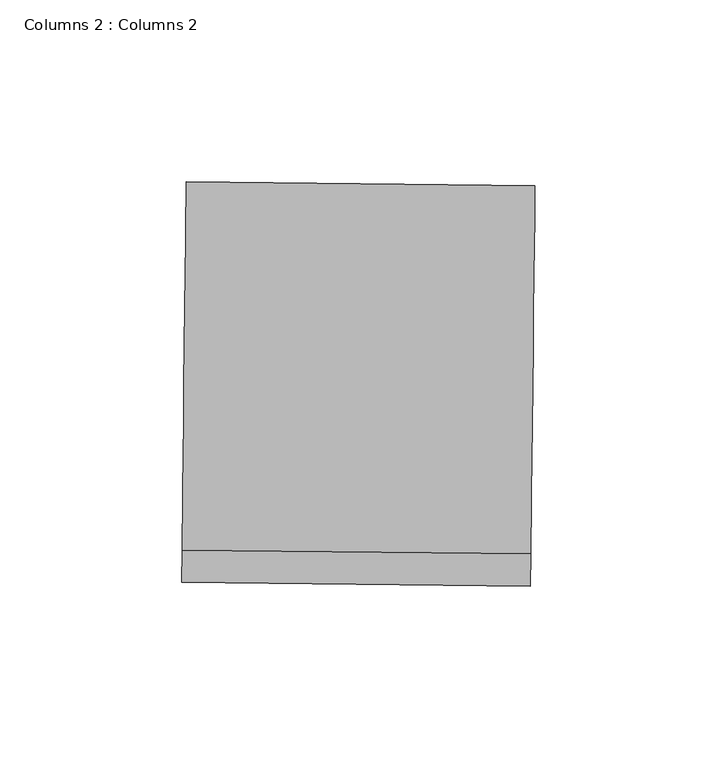
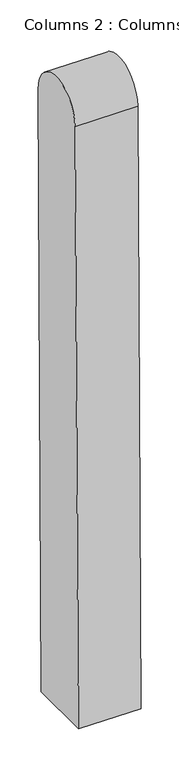
"""IFC4 building model written with IfcOpenShell, lengths in millimetres: column geometry, Columns 2 : Columns 2."""

from ifc_helpers import new_model, si_unit, point, frame, frame_2d, origin, place, context, project, spatial, polyline, circle_curve, trimmed, segment, composite_curve, outline, extrude, source, transform, mapped, element, save


def columns_2_columns_2_e1c5b08b(model_context):
    return source(origin(), model_context, "Body", "SweptSolid", [
        extrude(outline(composite_curve([segment(trimmed(circle_curve(frame_2d((11.3111245, -50.6547737)), 50.6547737), [point((11.3111245, 0.0))], [point((11.351453, -101.3095313))], False, "CARTESIAN"), True, "CONTINUOUS"), segment(polyline([(11.351453, -101.3095313), (-965.4329999, -102.0871925), (-966.577053, 0.0), (11.3111245, 0.0)]), True, "CONTINUOUS")], self_intersect=False)), frame((-40792.2324183, 43227.5480713, 109088.7230639), z_axis=(-0.9999380339406203, 0.011132307890417243, 0.0), x_axis=(9.032558093562406e-05, 0.008113320679269054, 0.999967082392638)), (0.0, 0.0, 1.0), 95.9084115),
    ])


if __name__ == "__main__":
    model = new_model("IFC4")
    model_context = context("Model", 3, world=origin())
    ifc_project = project(units=[si_unit("LENGTHUNIT", "METRE", prefix="MILLI")], contexts=[model_context])
    site = spatial("IfcSite", under=ifc_project)
    building = spatial("IfcBuilding", under=site)
    placement = place(None, origin())
    columns_2_columns_2_shape = columns_2_columns_2_e1c5b08b(model_context)
    element("IfcColumn", 1, ObjectType="Columns 2 : Columns 2", at=placement, inside=building, context=model_context, shape_type="MappedRepresentation", body=[
        mapped(columns_2_columns_2_shape, transform((0.0, 0.0, 0.0), x_axis=(1.0, 0.0, 0.0), y_axis=(0.0, 1.0, 0.0), z_axis=(0.0, 0.0, 1.0))),
    ])
    save(model, "model.ifc")
